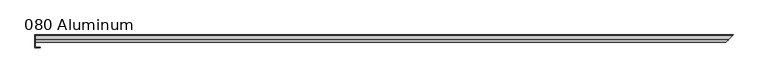
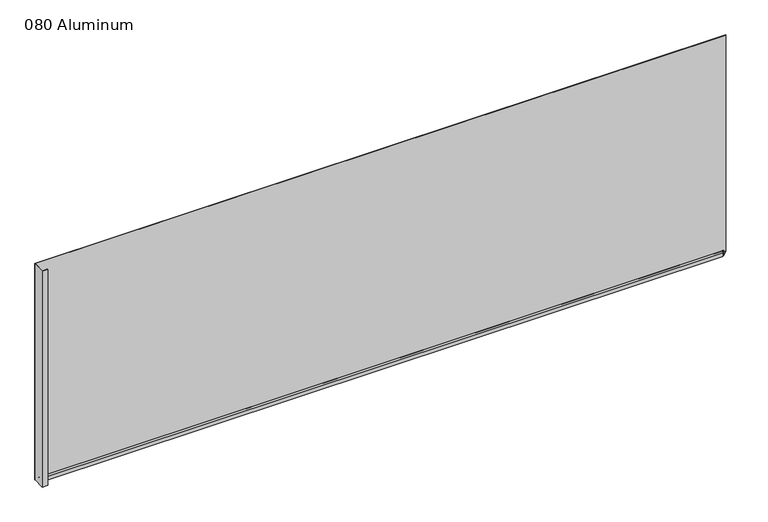
"""IFC4 building model written with IfcOpenShell, lengths in millimetres: plate geometry, 080 Aluminum."""

from ifc_helpers import new_model, si_unit, frame, origin, origin_with_axes, place, context, project, spatial, polyline, circle_curve, ellipse_curve, outline, extrude, source, transform, mapped, element, save
from ifc_brep_helpers import plane_surface, cylinder_surface, revolved_surface, advanced_brep


def plate_080_aluminum_52827420(model_context):
    return source(origin(), model_context, "Body", "SolidModel", [
        extrude(outline(polyline([(-919.4800002, 2.5660257), (-906.5894996, 2.5660257), (-906.5894996, 1.2699999), (-920.7500001, 1.2699999), (-920.7500001, 34.7980001), (-919.4800002, 34.7980001), (-919.4800002, 2.5660257)])), origin_with_axes(), (0.0, 0.0, 1.0), 621.03),
        advanced_brep(
        [(-919.4800002, 16.6765477, 13.1458337), (-919.4800002, 23.0264743, 13.124237), (-919.4800002, 23.0264743, 1.2693678), (-919.4800002, 34.7980002, 1.2693678), (-919.4800002, 34.7980002, 0.0), (-919.4800002, 21.7564743, 0.0), (-919.4800002, 21.7564743, 13.124237), (-919.4800002, 17.9464915, 13.1323356), (-919.4800002, 17.9464915, 2.786437), (-919.4800002, 16.6765477, 2.786437), (937.4265479, 16.6765477, 2.786437), (937.4265479, 16.6765477, 13.1458337), (938.6964916, 17.9464915, 2.786437), (938.6964916, 17.9464915, 13.1323356), (942.5064744, 21.7564743, 13.124237), (942.5064744, 21.7564743, 0.0), (955.5480002, 34.7980002, 0.0), (955.5480002, 34.7980002, 1.2693678), (943.7764744, 23.0264743, 1.2693678), (943.7764744, 23.0264743, 13.124237)],
        [
            (0, 1, circle_curve(frame((-919.4800002, 19.8514743, 13.124237), z_axis=(-1.0, 0.0, 0.0), x_axis=(0.0, 0.0, -1.0)), 3.175)),
            (1, 2),
            (2, 3),
            (3, 4),
            (4, 5),
            (5, 6),
            (6, 7, circle_curve(frame((-919.4800002, 19.8514743, 13.124237), z_axis=(1.0, 0.0, 0.0), x_axis=(0.0, 0.0, -1.0)), 1.905)),
            (7, 8),
            (8, 9),
            (9, 0),
            (9, 10),
            (10, 11),
            (11, 0),
            (8, 12),
            (12, 10),
            (7, 13),
            (13, 12),
            (6, 14),
            (14, 13, ellipse_curve(frame((940.6014744, 19.8514743, 13.124237), z_axis=(0.7071067811865489, -0.7071067811865462, 0.0), x_axis=(0.707106781186546, 0.7071067811865489, 0.0)), 2.6940768, 1.905)),
            (5, 15),
            (15, 14),
            (4, 16),
            (16, 15),
            (3, 17),
            (17, 16),
            (2, 18),
            (18, 17),
            (1, 19),
            (19, 18),
            (11, 19, ellipse_curve(frame((940.6014744, 19.8514743, 13.124237), z_axis=(-0.7071067811865489, 0.7071067811865462, 0.0), x_axis=(-0.707106781186546, -0.7071067811865489, 0.0)), 4.4901281, 3.175)),
        ],
        [
            plane_surface(frame((-919.4800002, 36.068, 0.0), z_axis=(-1.0, 0.0, 0.0), x_axis=(0.0, 0.0, 1.0))),
            plane_surface(frame((-919.4800002, 16.6765477, 13.1458337), z_axis=(0.0, -1.0, 0.0), x_axis=(1.0, 0.0, 0.0))),
            plane_surface(frame((-919.4800002, 16.6765477, 2.786437), z_axis=(0.0, 0.0, -1.0), x_axis=(1.0, 0.0, 0.0))),
            plane_surface(frame((-919.4800002, 17.9464915, 2.786437), z_axis=(0.0, 1.0, 0.0), x_axis=(1.0, 0.0, 0.0))),
            revolved_surface(polyline([(942.5064743999999, 19.8514743, 11.219237000000001), (-919.4800002, 19.8514743, 11.219237000000001)]), (-919.4800002, 19.8514743, 13.124237), (1.0, 0.0, 0.0)),
            plane_surface(frame((-919.4800002, 21.7564743, 13.124237), z_axis=(0.0, -1.0, 0.0), x_axis=(1.0, 0.0, 0.0))),
            plane_surface(frame((-919.4800002, 21.7564743, 0.0), z_axis=(0.0, 0.0, -1.0), x_axis=(1.0, 0.0, 0.0))),
            plane_surface(frame((-919.4800002, 34.7980002, 0.0), z_axis=(0.0, 1.0, 0.0), x_axis=(1.0, 0.0, 0.0))),
            plane_surface(frame((-919.4800002, 34.7980002, 1.2693678), z_axis=(0.0, 0.0, 1.0), x_axis=(1.0, 0.0, 0.0))),
            plane_surface(frame((-919.4800002, 23.0264743, 1.2693678), z_axis=(0.0, 1.0, 0.0), x_axis=(1.0, 0.0, 0.0))),
            cylinder_surface(frame((-919.4800002, 19.8514743, 13.124237), z_axis=(-1.0, 0.0, 0.0), x_axis=(0.0, 0.0, -1.0)), 3.175),
            plane_surface(frame((920.7500002, 0.0, 795.4549971), z_axis=(0.7071067811865489, -0.7071067811865462, 0.0), x_axis=(0.0, 0.0, -1.0))),
        ],
        [
            (0, [[1, 2, 3, 4, 5, 6, 7, 8, 9, 10]]),
            (1, [[11, 12, 13, -10]]),
            (2, [[14, 15, -11, -9]]),
            (3, [[16, 17, -14, -8]]),
            (4, [[18, 19, -16, -7]]),
            (5, [[20, 21, -18, -6]]),
            (6, [[22, 23, -20, -5]]),
            (7, [[24, 25, -22, -4]]),
            (8, [[26, 27, -24, -3]]),
            (9, [[28, 29, -26, -2]]),
            (10, [[-13, 30, -28, -1]]),
            (11, [[-15, -17, -19, -21, -23, -25, -27, -29, -30, -12]]),
        ],
    ),
        extrude(outline(polyline([(-920.7500002, 36.068), (956.8180002, 36.068), (955.5480002, 34.7980001), (-920.7500002, 34.7980001), (-920.7500002, 36.068)])), origin_with_axes(), (0.0, 0.0, 1.0), 622.3),
    ])


if __name__ == "__main__":
    model = new_model("IFC4")
    model_context = context("Model", 3, world=origin())
    ifc_project = project(units=[si_unit("LENGTHUNIT", "METRE", prefix="MILLI")], contexts=[model_context])
    site = spatial("IfcSite", under=ifc_project)
    building = spatial("IfcBuilding", under=site)
    placement = place(None, origin())
    plate_080_aluminum_shape = plate_080_aluminum_52827420(model_context)
    element("IfcPlate", 1, ObjectType="080 Aluminum", at=placement, inside=building, context=model_context, shape_type="MappedRepresentation", body=[
        mapped(plate_080_aluminum_shape, transform((0.0, 0.0, 0.0), x_axis=(1.0, 0.0, 0.0), y_axis=(0.0, 1.0, 0.0), z_axis=(0.0, 0.0, 1.0))),
    ])
    save(model, "model.ifc")
